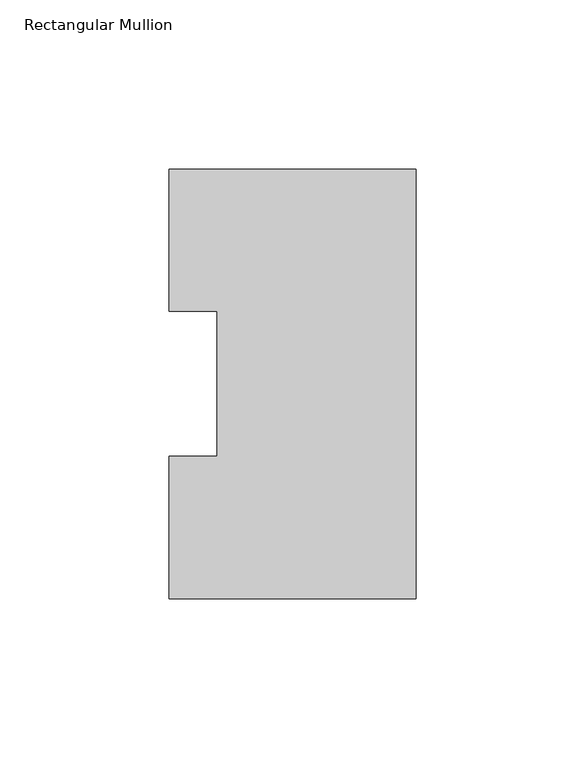
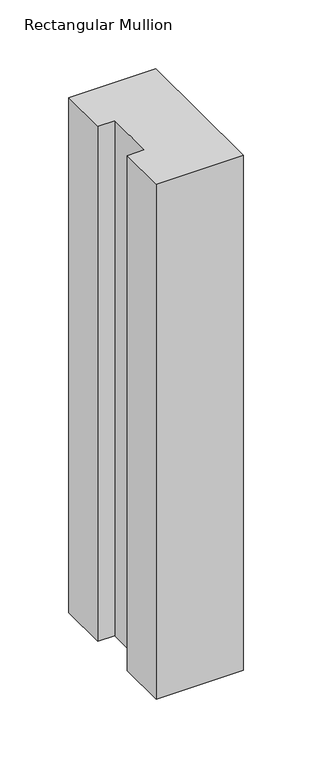
"""IFC4 building model written with IfcOpenShell, lengths in millimetres: member geometry, Rectangular Mullion."""

from ifc_helpers import new_model, si_unit, frame, origin, place, context, project, spatial, polyline, outline, extrude, source, transform, mapped, element, save


def rectangular_mullion_4863b7e0(model_context):
    return source(origin(), model_context, "Body", "SweptSolid", [
        extrude(outline(polyline([(-73.025, 127.00635), (0.0, 127.00635), (0.0, 0.00635), (-73.025, 0.00635), (-73.025, 42.08145), (-58.725404, 42.08145), (-58.725404, 84.93125), (-73.025, 84.93125), (-73.025, 127.00635)])), frame((0.0, 0.0, -457.2), z_axis=(0.0, 0.0, 1.0), x_axis=(1.0, 0.0, 0.0)), (0.0, 0.0, 1.0), 457.2),
    ])


if __name__ == "__main__":
    model = new_model("IFC4")
    model_context = context("Model", 3, world=origin())
    ifc_project = project(units=[si_unit("LENGTHUNIT", "METRE", prefix="MILLI")], contexts=[model_context])
    site = spatial("IfcSite", under=ifc_project)
    building = spatial("IfcBuilding", under=site)
    placement = place(None, origin())
    rectangular_mullion_shape = rectangular_mullion_4863b7e0(model_context)
    element("IfcMember", 1, ObjectType="Rectangular Mullion", at=placement, inside=building, context=model_context, shape_type="MappedRepresentation", body=[
        mapped(rectangular_mullion_shape, transform((0.0, 0.0, 0.0), x_axis=(1.0, 0.0, 0.0), y_axis=(0.0, 1.0, 0.0), z_axis=(0.0, 0.0, 1.0))),
    ])
    save(model, "model.ifc")
